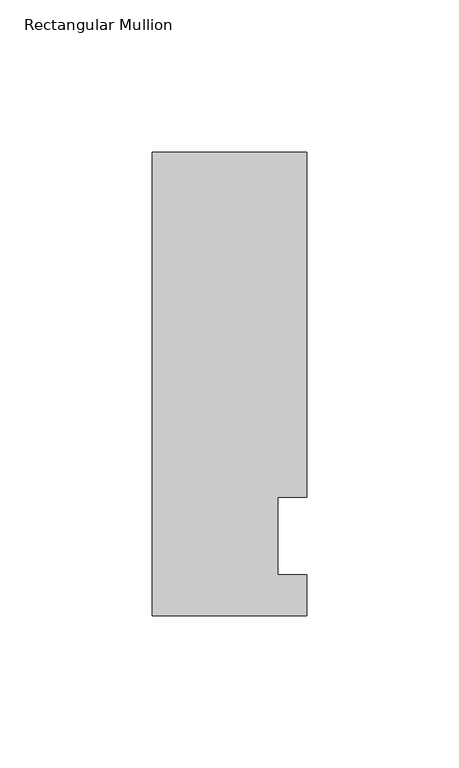
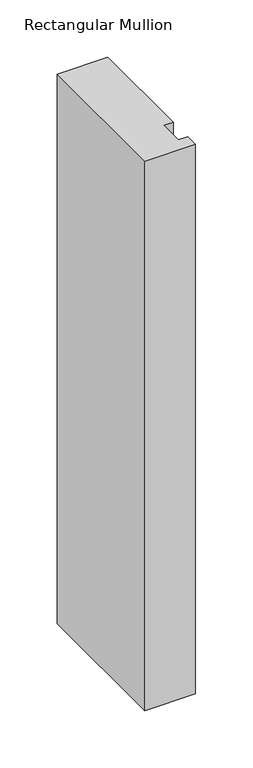
"""IFC4 building model written with IfcOpenShell, lengths in millimetres: member geometry, Rectangular Mullion."""

from ifc_helpers import new_model, si_unit, frame, origin, place, context, project, spatial, polyline, outline, extrude, source, transform, mapped, element, save


def rectangular_mullion_fdc51230(model_context):
    return source(origin(), model_context, "Body", "SweptSolid", [
        extrude(outline(polyline([(-25.4, -26.19375), (-25.4, 126.20625), (25.4, 126.20625), (25.4, 12.7), (15.875, 12.7), (15.875, -12.7), (25.4, -12.7), (25.4, -26.19375), (-25.4, -26.19375)])), frame((0.0, 0.0, -584.2), z_axis=(0.0, 0.0, 1.0), x_axis=(1.0, 0.0, 0.0)), (0.0, 0.0, 1.0), 584.2),
    ])


if __name__ == "__main__":
    model = new_model("IFC4")
    model_context = context("Model", 3, world=origin())
    ifc_project = project(units=[si_unit("LENGTHUNIT", "METRE", prefix="MILLI")], contexts=[model_context])
    site = spatial("IfcSite", under=ifc_project)
    building = spatial("IfcBuilding", under=site)
    placement = place(None, origin())
    rectangular_mullion_shape = rectangular_mullion_fdc51230(model_context)
    element("IfcMember", 1, ObjectType="Rectangular Mullion", at=placement, inside=building, context=model_context, shape_type="MappedRepresentation", body=[
        mapped(rectangular_mullion_shape, transform((0.0, 0.0, 0.0), x_axis=(1.0, 0.0, 0.0), y_axis=(0.0, 1.0, 0.0), z_axis=(0.0, 0.0, 1.0))),
    ])
    save(model, "model.ifc")
